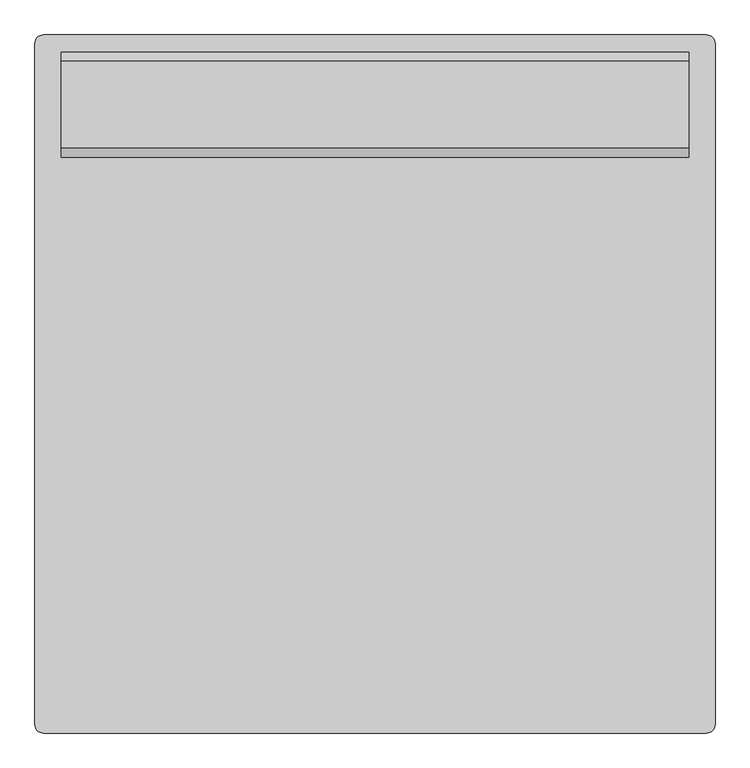
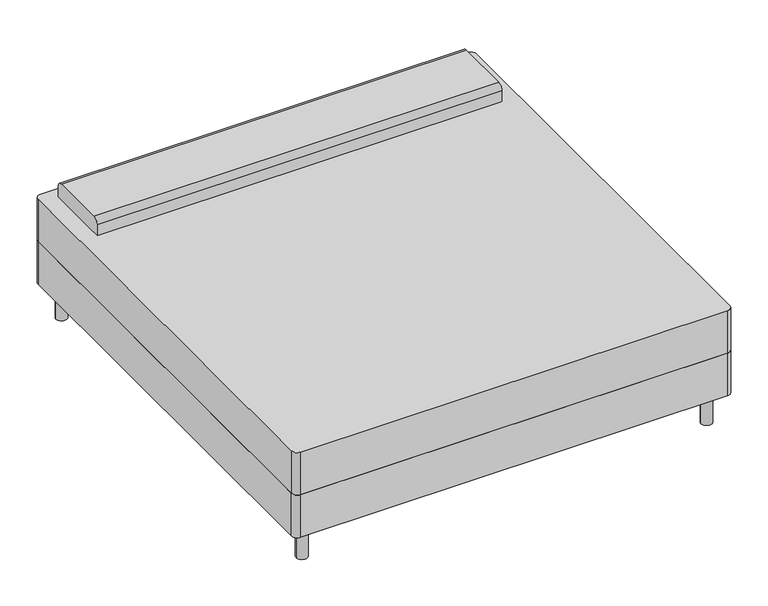
"""IFC4 building model written with IfcOpenShell, lengths in millimetres: furniture geometry."""

from ifc_helpers import new_model, si_unit, point, frame, frame_2d, origin, origin_with_axes, place, context, project, spatial, polyline, circle_curve, trimmed, segment, composite_curve, outline, extrude, source, transform, mapped, element, save


def furniture_79a78f5c(model_context):
    return source(origin(), model_context, "Body", "SweptSolid", [
        extrude(outline(composite_curve([segment(polyline([(-719.0114754, -1036.195082), (-719.0114754, 945.004918)]), True, "CONTINUOUS"), segment(trimmed(circle_curve(frame_2d((-693.6114754, 945.004918)), 25.4), [point((-719.0114754, 945.004918))], [point((-693.6114754, 970.404918))], False, "CARTESIAN"), True, "CONTINUOUS"), segment(polyline([(-693.6114754, 970.404918), (1236.5885246, 970.404918)]), True, "CONTINUOUS"), segment(trimmed(circle_curve(frame_2d((1236.5885246, 945.004918)), 25.4), [point((1236.5885246, 970.404918))], [point((1261.9885246, 945.004918))], False, "CARTESIAN"), True, "CONTINUOUS"), segment(polyline([(1261.9885246, 945.004918), (1261.9885246, -1036.195082)]), True, "CONTINUOUS"), segment(trimmed(circle_curve(frame_2d((1236.5885246, -1036.195082)), 25.4), [point((1261.9885246, -1036.195082))], [point((1236.5885246, -1061.595082))], False, "CARTESIAN"), True, "CONTINUOUS"), segment(polyline([(1236.5885246, -1061.595082), (-693.6114754, -1061.595082)]), True, "CONTINUOUS"), segment(trimmed(circle_curve(frame_2d((-693.6114754, -1036.195082)), 25.4), [point((-693.6114754, -1061.595082))], [point((-719.0114754, -1036.195082))], False, "CARTESIAN"), True, "CONTINUOUS")], self_intersect=False)), frame((0.0, 0.0, 152.4), z_axis=(0.0, 0.0, 1.0), x_axis=(1.0, 0.0, 0.0)), (0.0, 0.0, 1.0), 203.2),
        extrude(outline(composite_curve([segment(polyline([(614.804918, 558.8), (614.804918, 609.6)]), True, "CONTINUOUS"), segment(trimmed(circle_curve(frame_2d((640.204918, 609.6)), 25.4), [point((614.804918, 609.6))], [point((640.204918, 635.0))], False, "CARTESIAN"), True, "CONTINUOUS"), segment(polyline([(640.204918, 635.0), (894.204918, 635.0)]), True, "CONTINUOUS"), segment(trimmed(circle_curve(frame_2d((894.204918, 609.6)), 25.4), [point((894.204918, 635.0))], [point((919.604918, 609.6))], False, "CARTESIAN"), True, "CONTINUOUS"), segment(polyline([(919.604918, 609.6), (919.604918, 558.8), (614.804918, 558.8)]), True, "CONTINUOUS")], self_intersect=False)), frame((-642.8114754, 0.0, 0.0), z_axis=(1.0, 0.0, 0.0), x_axis=(0.0, 1.0, 0.0)), (0.0, 0.0, 1.0), 1828.6),
        extrude(outline(composite_curve([segment(trimmed(circle_curve(frame_2d((-642.8114754, 894.204918)), 25.4), [point((-668.2114754, 894.204918))], [point((-617.4114754, 894.204918))], False, "CARTESIAN"), True, "CONTINUOUS"), segment(trimmed(circle_curve(frame_2d((-642.8114754, 894.204918)), 25.4), [point((-617.4114754, 894.204918))], [point((-668.2114754, 894.204918))], False, "CARTESIAN"), True, "CONTINUOUS")], self_intersect=False)), origin_with_axes(), (0.0, 0.0, 1.0), 152.4),
        extrude(outline(composite_curve([segment(trimmed(circle_curve(frame_2d((1185.7885246, 894.204918)), 25.4), [point((1160.3885246, 894.204918))], [point((1211.1885246, 894.204918))], False, "CARTESIAN"), True, "CONTINUOUS"), segment(trimmed(circle_curve(frame_2d((1185.7885246, 894.204918)), 25.4), [point((1211.1885246, 894.204918))], [point((1160.3885246, 894.204918))], False, "CARTESIAN"), True, "CONTINUOUS")], self_intersect=False)), origin_with_axes(), (0.0, 0.0, 1.0), 152.4),
        extrude(outline(composite_curve([segment(trimmed(circle_curve(frame_2d((1185.7885246, -985.395082)), 25.4), [point((1160.3885246, -985.395082))], [point((1211.1885246, -985.395082))], False, "CARTESIAN"), True, "CONTINUOUS"), segment(trimmed(circle_curve(frame_2d((1185.7885246, -985.395082)), 25.4), [point((1211.1885246, -985.395082))], [point((1160.3885246, -985.395082))], False, "CARTESIAN"), True, "CONTINUOUS")], self_intersect=False)), origin_with_axes(), (0.0, 0.0, 1.0), 152.4),
        extrude(outline(composite_curve([segment(trimmed(circle_curve(frame_2d((-642.8114754, -985.395082)), 25.4), [point((-668.2114754, -985.395082))], [point((-617.4114754, -985.395082))], False, "CARTESIAN"), True, "CONTINUOUS"), segment(trimmed(circle_curve(frame_2d((-642.8114754, -985.395082)), 25.4), [point((-617.4114754, -985.395082))], [point((-668.2114754, -985.395082))], False, "CARTESIAN"), True, "CONTINUOUS")], self_intersect=False)), origin_with_axes(), (0.0, 0.0, 1.0), 152.4),
        extrude(outline(composite_curve([segment(polyline([(-693.6114754, 970.404918), (1236.5885246, 970.404918)]), True, "CONTINUOUS"), segment(trimmed(circle_curve(frame_2d((1236.5885246, 945.004918)), 25.4), [point((1236.5885246, 970.404918))], [point((1261.9885246, 945.004918))], False, "CARTESIAN"), True, "CONTINUOUS"), segment(polyline([(1261.9885246, 945.004918), (1261.9885246, -1036.195082)]), True, "CONTINUOUS"), segment(trimmed(circle_curve(frame_2d((1236.5885246, -1036.195082)), 25.4), [point((1261.9885246, -1036.195082))], [point((1236.5885246, -1061.595082))], False, "CARTESIAN"), True, "CONTINUOUS"), segment(polyline([(1236.5885246, -1061.595082), (-693.6114754, -1061.595082)]), True, "CONTINUOUS"), segment(trimmed(circle_curve(frame_2d((-693.6114754, -1036.195082)), 25.4), [point((-693.6114754, -1061.595082))], [point((-719.0114754, -1036.195082))], False, "CARTESIAN"), True, "CONTINUOUS"), segment(polyline([(-719.0114754, -1036.195082), (-719.0114754, 945.004918)]), True, "CONTINUOUS"), segment(trimmed(circle_curve(frame_2d((-693.6114754, 945.004918)), 25.4), [point((-719.0114754, 945.004918))], [point((-693.6114754, 970.404918))], False, "CARTESIAN"), True, "CONTINUOUS")], self_intersect=False)), frame((0.0, 0.0, 355.6), z_axis=(0.0, 0.0, 1.0), x_axis=(1.0, 0.0, 0.0)), (0.0, 0.0, 1.0), 203.2),
    ])


if __name__ == "__main__":
    model = new_model("IFC4")
    model_context = context("Model", 3, world=origin())
    ifc_project = project(units=[si_unit("LENGTHUNIT", "METRE", prefix="MILLI")], contexts=[model_context])
    site = spatial("IfcSite", under=ifc_project)
    building = spatial("IfcBuilding", under=site)
    placement = place(None, origin())
    furniture_shape = furniture_79a78f5c(model_context)
    element("IfcFurniture", 1, at=placement, inside=building, context=model_context, shape_type="MappedRepresentation", body=[
        mapped(furniture_shape, transform((0.0, 0.0, 0.0), x_axis=(1.0, 0.0, 0.0), y_axis=(0.0, 1.0, 0.0), z_axis=(0.0, 0.0, 1.0))),
    ])
    save(model, "model.ifc")
